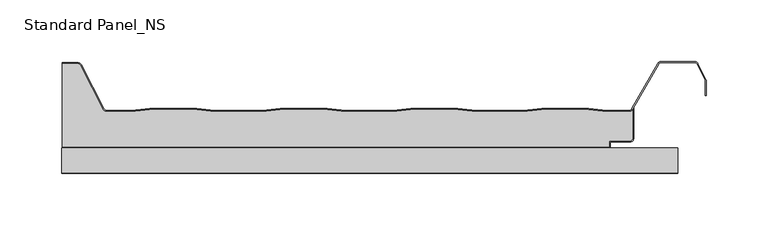
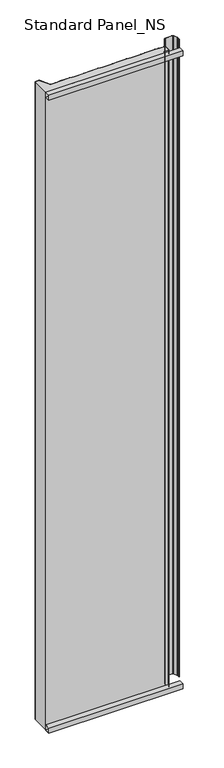
"""IFC4 building model written with IfcOpenShell, lengths in millimetres: proxy geometry, Standard Panel_NS."""

from ifc_helpers import new_model, si_unit, point, frame, frame_2d, origin, origin_with_axes, place, context, project, spatial, polyline, circle_curve, trimmed, segment, composite_curve, outline, extrude, source, transform, mapped, element, save


def standard_panel_ns_52f87d2e(model_context):
    return source(origin(), model_context, "Body", "SweptSolid", [
        extrude(outline(polyline([(20.0, 0.0), (0.0, 0.0), (0.0, 20.0), (20.0, 20.0), (20.0, 0.0)]), holes=[polyline([(0.9, 19.1), (0.9, 0.9), (19.1, 0.9), (19.1, 19.1), (0.9, 19.1)])]), frame((-249.9999998, 0.0, 0.0), z_axis=(1.0, 0.0, 0.0), x_axis=(0.0, 1.0, 0.0)), (0.0, 0.0, 1.0), 499.9999997),
        extrude(outline(polyline([(20.0, 2512.4689053), (20.0, 2492.4689053), (0.0, 2492.4689053), (0.0, 2512.4689053), (20.0, 2512.4689053)]), holes=[polyline([(0.9, 2511.5689053), (0.9, 2493.3689053), (19.1, 2493.3689053), (19.1, 2511.5689053), (0.9, 2511.5689053)])]), frame((-249.9999998, 0.0, 0.0), z_axis=(1.0, 0.0, 0.0), x_axis=(0.0, 1.0, 0.0)), (0.0, 0.0, 1.0), 499.9999997),
        extrude(outline(composite_curve([segment(trimmed(circle_curve(frame_2d((211.2333676, 27.9776976)), 2.1), [point((213.3333676, 27.9776976))], [point((211.2333676, 25.8776976))], False, "CARTESIAN"), True, "CONTINUOUS"), segment(polyline([(211.2333676, 25.8776976), (194.4044995, 25.8776976), (194.4044995, 20.8776976), (-249.4999998, 20.8776976), (-249.4999998, 88.61), (-236.856809, 88.61)]), True, "CONTINUOUS"), segment(trimmed(circle_curve(frame_2d((-236.856809, 86.41)), 2.2), [point((-236.856809, 88.61))], [point((-234.886672, 87.389061))], False, "CARTESIAN"), True, "CONTINUOUS"), segment(polyline([(-234.886672, 87.389061), (-216.5484349, 51.7067576)]), True, "CONTINUOUS"), segment(trimmed(circle_curve(frame_2d((-213.150958, 53.4088594)), 3.8), [point((-216.5484349, 51.7067576))], [point((-213.150958, 49.6088594))], True, "CARTESIAN"), True, "CONTINUOUS"), segment(polyline([(-213.150958, 49.6088594), (-193.3070694, 49.6088594), (-178.4996096, 51.4), (-140.4767285, 51.4), (-125.6575299, 49.6074394), (-87.3188082, 49.6074394), (-72.4996096, 51.4), (-34.4767285, 51.4), (-19.6433531, 49.6057246), (18.667015, 49.6057246), (33.5003904, 51.4), (71.5232715, 51.4), (86.3708237, 49.6040097), (124.6528382, 49.6040097), (139.5003904, 51.4), (177.5232715, 51.4), (192.3850005, 49.6022949), (210.2255766, 49.6022949)]), True, "CONTINUOUS"), segment(trimmed(circle_curve(frame_2d((210.179188, 53.4020117)), 3.8), [point((210.2255766, 49.6022949))], [point((213.3333676, 51.2827781))], True, "CARTESIAN"), True, "CONTINUOUS"), segment(polyline([(213.3333676, 51.2827781), (213.3333676, 27.9776976)]), True, "CONTINUOUS")], self_intersect=False)), origin_with_axes(), (0.0, 0.0, 1.0), 2512.4689053),
        extrude(outline(composite_curve([segment(trimmed(circle_curve(frame_2d((-236.856809, 86.41)), 3.0), [point((-236.856809, 89.41))], [point((-234.1728576, 87.7503003))], False, "CARTESIAN"), True, "CONTINUOUS"), segment(polyline([(-234.1728576, 87.7503003), (-215.8349094, 52.0685591)]), True, "CONTINUOUS"), segment(trimmed(circle_curve(frame_2d((-213.150958, 53.4088594)), 3.0), [point((-215.8349094, 52.0685591))], [point((-213.150958, 50.4088594))], True, "CARTESIAN"), True, "CONTINUOUS"), segment(polyline([(-213.150958, 50.4088594), (-193.3552785, 50.4088594), (-178.5478187, 52.2), (-140.4285194, 52.2), (-125.6093208, 50.4074394), (-87.3670173, 50.4074394), (-72.5478187, 52.2), (-34.4285194, 52.2), (-19.595144, 50.4057246), (18.6188059, 50.4057246), (33.4521813, 52.2), (71.5714806, 52.2), (86.4190328, 50.4040097), (124.6046291, 50.4040097), (139.4521813, 52.2), (177.5714806, 52.2), (192.4332096, 50.4022949), (210.1379709, 50.4022949)]), True, "CONTINUOUS"), segment(trimmed(circle_curve(frame_2d((210.179188, 53.4020117)), 3.0), [point((210.1379709, 50.4022949))], [point((212.8067154, 51.9542204))], True, "CARTESIAN"), True, "CONTINUOUS"), segment(polyline([(212.8067154, 51.9542204), (233.7091409, 88.8490344)]), True, "CONTINUOUS"), segment(trimmed(circle_curve(frame_2d((236.3366683, 87.401243)), 3.0), [point((233.7091409, 88.8490344))], [point((236.3366683, 90.401243))], False, "CARTESIAN"), True, "CONTINUOUS"), segment(polyline([(236.3366683, 90.401243), (263.6856737, 90.401243)]), True, "CONTINUOUS"), segment(trimmed(circle_curve(frame_2d((263.6856737, 87.401243)), 3.0), [point((263.6856737, 90.401243))], [point((266.3696251, 88.7415434))], False, "CARTESIAN"), True, "CONTINUOUS"), segment(polyline([(266.3696251, 88.7415434), (272.89881, 75.6668507)]), True, "CONTINUOUS"), segment(trimmed(circle_curve(frame_2d((270.2148586, 74.3265504)), 3.0), [point((272.89881, 75.6668507))], [point((273.2148586, 74.3265504))], False, "CARTESIAN"), True, "CONTINUOUS"), segment(polyline([(273.2148586, 74.3265504), (273.2148586, 62.8571101), (272.4148586, 62.8571101), (272.4148586, 74.3265504)]), True, "CONTINUOUS"), segment(trimmed(circle_curve(frame_2d((270.2148586, 74.3265504)), 2.2), [point((272.4148586, 74.3265504))], [point((272.1830896, 75.3094373))], True, "CARTESIAN"), True, "CONTINUOUS"), segment(polyline([(272.1830896, 75.3094373), (265.6539047, 88.3841299)]), True, "CONTINUOUS"), segment(trimmed(circle_curve(frame_2d((263.6856737, 87.401243)), 2.2), [point((265.6539047, 88.3841299))], [point((263.6856737, 89.601243))], True, "CARTESIAN"), True, "CONTINUOUS"), segment(polyline([(263.6856737, 89.601243), (236.3366683, 89.601243)]), True, "CONTINUOUS"), segment(trimmed(circle_curve(frame_2d((236.3366683, 87.401243)), 2.2), [point((236.3366683, 89.601243))], [point((234.4077106, 88.4591287))], True, "CARTESIAN"), True, "CONTINUOUS"), segment(polyline([(234.4077106, 88.4591287), (213.5049667, 51.5637527)]), True, "CONTINUOUS"), segment(trimmed(circle_curve(frame_2d((210.179188, 53.4020117)), 3.8), [point((213.5049667, 51.5637527))], [point((210.1327994, 49.6022949))], False, "CARTESIAN"), True, "CONTINUOUS"), segment(polyline([(210.1327994, 49.6022949), (192.3850005, 49.6022949), (177.5232715, 51.4), (139.5003904, 51.4), (124.6528382, 49.6040097), (86.3708237, 49.6040097), (71.5232715, 51.4), (33.5003904, 51.4), (18.667015, 49.6057246), (-19.6433531, 49.6057246), (-34.4767285, 51.4), (-72.4996096, 51.4), (-87.3188082, 49.6074394), (-125.6575299, 49.6074394), (-140.4767285, 51.4), (-178.4996096, 51.4), (-193.3070694, 49.6088594), (-213.150958, 49.6088594)]), True, "CONTINUOUS"), segment(trimmed(circle_curve(frame_2d((-213.150958, 53.4088594)), 3.8), [point((-213.150958, 49.6088594))], [point((-216.5484349, 51.7067576))], False, "CARTESIAN"), True, "CONTINUOUS"), segment(polyline([(-216.5484349, 51.7067576), (-234.886672, 87.389061)]), True, "CONTINUOUS"), segment(trimmed(circle_curve(frame_2d((-236.856809, 86.41)), 2.2), [point((-234.886672, 87.389061))], [point((-236.856809, 88.61))], True, "CARTESIAN"), True, "CONTINUOUS"), segment(polyline([(-236.856809, 88.61), (-249.4999998, 88.61), (-249.4999998, 89.41), (-236.856809, 89.41)]), True, "CONTINUOUS")], self_intersect=False)), origin_with_axes(), (0.0, 0.0, 1.0), 2512.4689053),
        extrude(outline(composite_curve([segment(polyline([(194.4044995, 20.9), (194.4044995, 25.9), (211.2333676, 25.9)]), True, "CONTINUOUS"), segment(trimmed(circle_curve(frame_2d((211.2333676, 28.0)), 2.1), [point((211.2333676, 25.9))], [point((213.3333676, 28.0))], True, "CARTESIAN"), True, "CONTINUOUS"), segment(polyline([(213.3333676, 28.0), (213.3333676, 51.2827781), (214.2333676, 52.8494512), (214.2333676, 28.0)]), True, "CONTINUOUS"), segment(trimmed(circle_curve(frame_2d((211.2333676, 28.0)), 3.0), [point((214.2333676, 28.0))], [point((211.2333676, 25.0))], False, "CARTESIAN"), True, "CONTINUOUS"), segment(polyline([(211.2333676, 25.0), (195.3044995, 25.0), (195.3044995, 20.0), (-249.4999998, 20.0), (-249.4999998, 20.9), (194.4044995, 20.9)]), True, "CONTINUOUS")], self_intersect=False)), origin_with_axes(), (0.0, 0.0, 1.0), 2512.4689053),
    ])


if __name__ == "__main__":
    model = new_model("IFC4")
    model_context = context("Model", 3, world=origin())
    ifc_project = project(units=[si_unit("LENGTHUNIT", "METRE", prefix="MILLI")], contexts=[model_context])
    site = spatial("IfcSite", under=ifc_project)
    building = spatial("IfcBuilding", under=site)
    placement = place(None, origin())
    standard_panel_ns_shape = standard_panel_ns_52f87d2e(model_context)
    element("IfcBuildingElementProxy", 1, Name="Standard Panel_NS", ObjectType="Standard Panel_NS", at=placement, inside=building, context=model_context, shape_type="MappedRepresentation", body=[
        mapped(standard_panel_ns_shape, transform((0.0, 0.0, 0.0), x_axis=(1.0, 0.0, 0.0), y_axis=(0.0, 1.0, 0.0), z_axis=(0.0, 0.0, 1.0))),
    ])
    save(model, "model.ifc")
